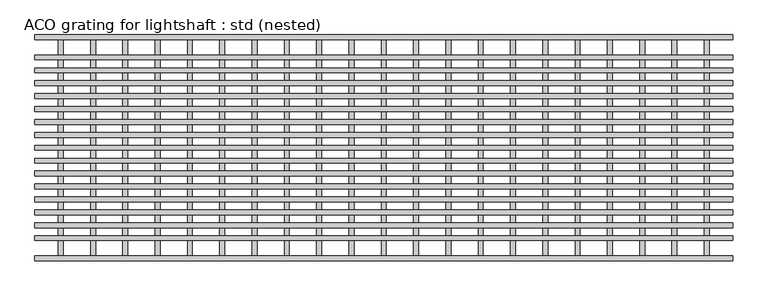
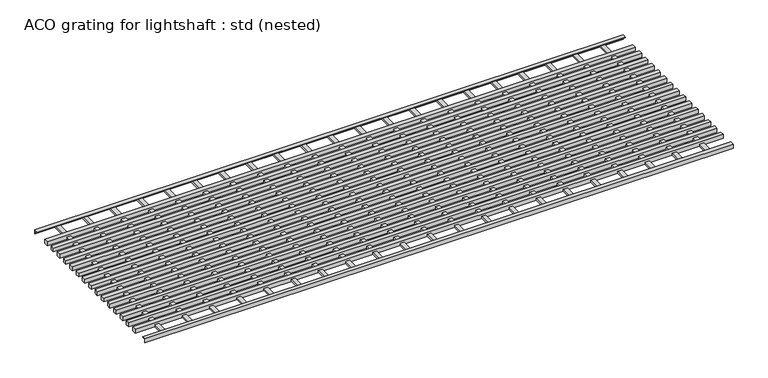
"""IFC4 building model written with IfcOpenShell, lengths in millimetres: sanitary terminal geometry, ACO grating for lightshaft : std (nested)."""

import ifcopenshell
import ifcopenshell.guid

model = None  # the IFC model being written
_history = None  # IfcOwnerHistory: only IFC2X3 demands one
_inside = {}  # id of a spatial element -> (the spatial element, [elements in it])
_under = {}  # id of a project, library or spatial element -> (it, [spatial elements below it])
_declared = {}  # id of a project -> (the project, [libraries it declares])
_typed = {}  # id of a type object -> (the type object, [elements of that type])
_made_of = {}  # id of a material, layer set ... -> (it, [elements and type objects made of it])


def new_model(schema):
    """Start an empty IFC model of exactly this schema.

    Asked for "IFC4X3", IfcOpenShell would pick the latest addendum, in which some entities
    have other attributes; the version numbers below select the first issue.
    IFC2X3 requires an IfcOwnerHistory on every rooted entity: one is made here for all.
    """
    global model, _history
    if schema == "IFC4X3":
        model = ifcopenshell.file(schema_version=(4, 3, 0, 0))
    else:
        model = ifcopenshell.file(schema=schema)
    _inside.clear()
    _under.clear()
    _declared.clear()
    _typed.clear()
    _made_of.clear()
    _history = None
    if model.schema == "IFC2X3":
        org = make("IfcOrganization", Name="unknown")
        user = make(
            "IfcPersonAndOrganization",
            ThePerson=make("IfcPerson", FamilyName="unknown"),
            TheOrganization=org,
        )
        app = make(
            "IfcApplication",
            ApplicationDeveloper=org,
            Version="unknown",
            ApplicationFullName="unknown",
            ApplicationIdentifier="unknown",
        )
        _history = make(
            "IfcOwnerHistory",
            OwningUser=user,
            OwningApplication=app,
            ChangeAction="ADDED",
            CreationDate=0,
        )
    return model


def make(cls, **values):
    """One entity of the class cls with the attributes given. An attribute that is None is left unset."""
    return model.create_entity(
        cls, **{name: value for name, value in values.items() if value is not None}
    )


def rooted(cls, **values):
    """An entity with a GlobalId (a new one), such as an element, a storey or a relation."""
    return make(cls, GlobalId=ifcopenshell.guid.new(), OwnerHistory=_history, **values)


def si_unit(unit_type, name, prefix=None):
    """IfcSIUnit, for example si_unit("LENGTHUNIT", "METRE", prefix="MILLI")."""
    return make("IfcSIUnit", UnitType=unit_type, Prefix=prefix, Name=name)


def assignment(units):
    """IfcUnitAssignment: the units of a project."""
    return None if units is None else make("IfcUnitAssignment", Units=units)


def point(xyz):
    """IfcCartesianPoint."""
    return None if xyz is None else make("IfcCartesianPoint", Coordinates=xyz)


def direction(xyz):
    """IfcDirection."""
    return None if xyz is None else make("IfcDirection", DirectionRatios=xyz)


def frame(location, z_axis=None, x_axis=None):
    """IfcAxis2Placement3D, a coordinate frame: its origin and axes. An axis left out is left unset."""
    return make(
        "IfcAxis2Placement3D",
        Location=point(location),
        Axis=direction(z_axis),
        RefDirection=direction(x_axis),
    )


def origin():
    """The frame at (0, 0, 0) with its axes left unset."""
    return frame((0.0, 0.0, 0.0))


def place(relative_to, where):
    """IfcLocalPlacement: puts the frame where relative to a parent placement (None: the world)."""
    return make(
        "IfcLocalPlacement", PlacementRelTo=relative_to, RelativePlacement=where
    )


def context(
    kind, dimensions, precision=None, world=None, true_north=None, identifier=None
):
    """IfcGeometricRepresentationContext, for example the 3D "Model" context."""
    return make(
        "IfcGeometricRepresentationContext",
        ContextIdentifier=identifier,
        ContextType=kind,
        CoordinateSpaceDimension=dimensions,
        Precision=precision,
        WorldCoordinateSystem=world,
        TrueNorth=true_north,
    )


def project(units=None, contexts=None):
    """IfcProject with its units and contexts."""
    return rooted(
        "IfcProject",
        Name="project",
        RepresentationContexts=contexts,
        UnitsInContext=assignment(units),
    )


def spatial(cls, under=None, at=None, **own):
    """A site, building, storey or space (cls), placed at a placement, below another one or the project."""
    s = rooted(cls, ObjectPlacement=at, **own)
    if under is not None:
        _under.setdefault(under.id(), (under, []))[1].append(s)
    return s


def polyline(points):
    """IfcPolyline through the points."""
    return make("IfcPolyline", Points=[point(p) for p in points])


def outline(outer, holes=None, kind="AREA"):
    """IfcArbitraryClosedProfileDef: a profile drawn as a closed curve; with holes, ...WithVoids."""
    if holes is None:
        return make("IfcArbitraryClosedProfileDef", ProfileType=kind, OuterCurve=outer)
    return make(
        "IfcArbitraryProfileDefWithVoids",
        ProfileType=kind,
        OuterCurve=outer,
        InnerCurves=holes,
    )


def extrude(swept, where, along, depth):
    """IfcExtrudedAreaSolid: the profile swept, set in the frame where, extruded along a direction by depth."""
    return make(
        "IfcExtrudedAreaSolid",
        SweptArea=swept,
        Position=where,
        ExtrudedDirection=direction(along),
        Depth=depth,
    )


def shape(context_of_items, identifier, shape_type, items):
    """IfcShapeRepresentation: the items that make up one representation, for example the "Body"."""
    return make(
        "IfcShapeRepresentation",
        ContextOfItems=context_of_items,
        RepresentationIdentifier=identifier,
        RepresentationType=shape_type,
        Items=items,
    )


def source(mapping_origin, context_of_items, identifier, shape_type, items):
    """IfcRepresentationMap: a shape defined once, which mapped items show again and again."""
    return make(
        "IfcRepresentationMap",
        MappingOrigin=mapping_origin,
        MappedRepresentation=shape(context_of_items, identifier, shape_type, items),
    )


def transform(
    local_origin,
    x_axis=None,
    y_axis=None,
    z_axis=None,
    scale=None,
    scale2=None,
    scale3=None,
    uniform=True,
):
    """IfcCartesianTransformationOperator3D, or its non-uniform kind. x_axis, y_axis, z_axis: its Axis1, 2, 3."""
    if uniform:
        return make(
            "IfcCartesianTransformationOperator3D",
            Axis1=direction(x_axis),
            Axis2=direction(y_axis),
            LocalOrigin=point(local_origin),
            Scale=scale,
            Axis3=direction(z_axis),
        )
    return make(
        "IfcCartesianTransformationOperator3DnonUniform",
        Axis1=direction(x_axis),
        Axis2=direction(y_axis),
        LocalOrigin=point(local_origin),
        Scale=scale,
        Axis3=direction(z_axis),
        Scale2=scale2,
        Scale3=scale3,
    )


def mapped(mapping_source, mapping_target):
    """IfcMappedItem: shows the shape of a source again, moved by a transform."""
    return make(
        "IfcMappedItem", MappingSource=mapping_source, MappingTarget=mapping_target
    )


def made_of(thing, what):
    """Note that an element or type object is made of a material, layer set ...; save() writes the relation."""
    if what is not None:
        _made_of.setdefault(what.id(), (what, []))[1].append(thing)
    return thing


def element(
    cls,
    number,
    at=None,
    inside=None,
    cuts=None,
    type_object=None,
    material=None,
    context=None,
    identifier="Body",
    shape_type=None,
    held_by="IfcProductDefinitionShape",
    body=None,
    shapes=None,
    **own,
):
    """One element of the class cls, such as IfcWall. Its Tag is "e" and its number.

    at: its placement. inside: the storey or other place that contains it. cuts: it is an
    opening in that element (IfcRelVoidsElement). A single representation is given by context,
    identifier, shape_type and body (its items); several are given by shapes. held_by: the class
    of the entity that holds the representations. save() writes the other relations.
    """
    e = rooted(cls, Tag="e%d" % number, ObjectPlacement=at, **own)
    if body is not None:
        shapes = [shape(context, identifier, shape_type, body)]
    if shapes is not None:
        e.Representation = make(held_by, Representations=shapes)
    if inside is not None:
        _inside.setdefault(inside.id(), (inside, []))[1].append(e)
    if cuts is not None:
        rooted(
            "IfcRelVoidsElement", RelatingBuildingElement=cuts, RelatedOpeningElement=e
        )
    if type_object is not None:
        _typed.setdefault(type_object.id(), (type_object, []))[1].append(e)
    return made_of(e, material)


def aggregate(whole, parts):
    """IfcRelAggregates: a whole, such as a stair, and the parts it consists of."""
    return rooted("IfcRelAggregates", RelatingObject=whole, RelatedObjects=parts)


def save(model, path):
    """Write the relations noted so far, then the file.

    IfcRelAggregates (storeys below a building ...), IfcRelContainedInSpatialStructure (elements
    in a storey), IfcRelDefinesByType, IfcRelAssociatesMaterial and IfcRelDeclares: one each for
    every whole, place, type object, material and project.
    """
    for whole, parts in _under.values():
        aggregate(whole, parts)
    for where, things in _inside.values():
        rooted(
            "IfcRelContainedInSpatialStructure",
            RelatedElements=things,
            RelatingStructure=where,
        )
    for kind, things in _typed.values():
        rooted("IfcRelDefinesByType", RelatedObjects=things, RelatingType=kind)
    for what, things in _made_of.values():
        rooted("IfcRelAssociatesMaterial", RelatedObjects=things, RelatingMaterial=what)
    for by, libraries in _declared.values():
        rooted("IfcRelDeclares", RelatingContext=by, RelatedDefinitions=libraries)
    model.write(path)


def aco_grating_for_lightshaft_std_nested_7c9caae1(model_context):
    return source(origin(), model_context, "Body", "SweptSolid", [
        extrude(outline(polyline([(-1007.5, -2.0), (-992.5, -2.0), (-992.5, -698.0), (-1007.5, -698.0), (-1007.5, -2.0)])), frame((0.0, 0.0, -15.0), z_axis=(0.0, 0.0, 1.0), x_axis=(1.0, 0.0, 0.0)), (0.0, 0.0, 1.0), 7.5),
        extrude(outline(polyline([(-907.5, -2.0), (-892.5, -2.0), (-892.5, -698.0), (-907.5, -698.0), (-907.5, -2.0)])), frame((0.0, 0.0, -15.0), z_axis=(0.0, 0.0, 1.0), x_axis=(1.0, 0.0, 0.0)), (0.0, 0.0, 1.0), 7.5),
        extrude(outline(polyline([(-807.5, -2.0), (-792.5, -2.0), (-792.5, -698.0), (-807.5, -698.0), (-807.5, -2.0)])), frame((0.0, 0.0, -15.0), z_axis=(0.0, 0.0, 1.0), x_axis=(1.0, 0.0, 0.0)), (0.0, 0.0, 1.0), 7.5),
        extrude(outline(polyline([(1007.5, -2.0), (1007.5, -698.0), (992.5, -698.0), (992.5, -2.0), (1007.5, -2.0)])), frame((0.0, 0.0, -15.0), z_axis=(0.0, 0.0, 1.0), x_axis=(1.0, 0.0, 0.0)), (0.0, 0.0, 1.0), 7.5),
        extrude(outline(polyline([(907.5, -2.0), (907.5, -698.0), (892.5, -698.0), (892.5, -2.0), (907.5, -2.0)])), frame((0.0, 0.0, -15.0), z_axis=(0.0, 0.0, 1.0), x_axis=(1.0, 0.0, 0.0)), (0.0, 0.0, 1.0), 7.5),
        extrude(outline(polyline([(807.5, -2.0), (807.5, -698.0), (792.5, -698.0), (792.5, -2.0), (807.5, -2.0)])), frame((0.0, 0.0, -15.0), z_axis=(0.0, 0.0, 1.0), x_axis=(1.0, 0.0, 0.0)), (0.0, 0.0, 1.0), 7.5),
        extrude(outline(polyline([(-707.5, -2.0), (-692.5, -2.0), (-692.5, -698.0), (-707.5, -698.0), (-707.5, -2.0)])), frame((0.0, 0.0, -15.0), z_axis=(0.0, 0.0, 1.0), x_axis=(1.0, 0.0, 0.0)), (0.0, 0.0, 1.0), 7.5),
        extrude(outline(polyline([(-607.5, -2.0), (-592.5, -2.0), (-592.5, -698.0), (-607.5, -698.0), (-607.5, -2.0)])), frame((0.0, 0.0, -15.0), z_axis=(0.0, 0.0, 1.0), x_axis=(1.0, 0.0, 0.0)), (0.0, 0.0, 1.0), 7.5),
        extrude(outline(polyline([(-507.5, -2.0), (-492.5, -2.0), (-492.5, -698.0), (-507.5, -698.0), (-507.5, -2.0)])), frame((0.0, 0.0, -15.0), z_axis=(0.0, 0.0, 1.0), x_axis=(1.0, 0.0, 0.0)), (0.0, 0.0, 1.0), 7.5),
        extrude(outline(polyline([(-407.5, -2.0), (-392.5, -2.0), (-392.5, -698.0), (-407.5, -698.0), (-407.5, -2.0)])), frame((0.0, 0.0, -15.0), z_axis=(0.0, 0.0, 1.0), x_axis=(1.0, 0.0, 0.0)), (0.0, 0.0, 1.0), 7.5),
        extrude(outline(polyline([(-307.5, -2.0), (-292.5, -2.0), (-292.5, -698.0), (-307.5, -698.0), (-307.5, -2.0)])), frame((0.0, 0.0, -15.0), z_axis=(0.0, 0.0, 1.0), x_axis=(1.0, 0.0, 0.0)), (0.0, 0.0, 1.0), 7.5),
        extrude(outline(polyline([(-207.5, -2.0), (-192.5, -2.0), (-192.5, -698.0), (-207.5, -698.0), (-207.5, -2.0)])), frame((0.0, 0.0, -15.0), z_axis=(0.0, 0.0, 1.0), x_axis=(1.0, 0.0, 0.0)), (0.0, 0.0, 1.0), 7.5),
        extrude(outline(polyline([(-107.5, -2.0), (-92.5, -2.0), (-92.5, -698.0), (-107.5, -698.0), (-107.5, -2.0)])), frame((0.0, 0.0, -15.0), z_axis=(0.0, 0.0, 1.0), x_axis=(1.0, 0.0, 0.0)), (0.0, 0.0, 1.0), 7.5),
        extrude(outline(polyline([(707.5, -2.0), (707.5, -698.0), (692.5, -698.0), (692.5, -2.0), (707.5, -2.0)])), frame((0.0, 0.0, -15.0), z_axis=(0.0, 0.0, 1.0), x_axis=(1.0, 0.0, 0.0)), (0.0, 0.0, 1.0), 7.5),
        extrude(outline(polyline([(607.5, -2.0), (607.5, -698.0), (592.5, -698.0), (592.5, -2.0), (607.5, -2.0)])), frame((0.0, 0.0, -15.0), z_axis=(0.0, 0.0, 1.0), x_axis=(1.0, 0.0, 0.0)), (0.0, 0.0, 1.0), 7.5),
        extrude(outline(polyline([(507.5, -2.0), (507.5, -698.0), (492.5, -698.0), (492.5, -2.0), (507.5, -2.0)])), frame((0.0, 0.0, -15.0), z_axis=(0.0, 0.0, 1.0), x_axis=(1.0, 0.0, 0.0)), (0.0, 0.0, 1.0), 7.5),
        extrude(outline(polyline([(407.5, -2.0), (407.5, -698.0), (392.5, -698.0), (392.5, -2.0), (407.5, -2.0)])), frame((0.0, 0.0, -15.0), z_axis=(0.0, 0.0, 1.0), x_axis=(1.0, 0.0, 0.0)), (0.0, 0.0, 1.0), 7.5),
        extrude(outline(polyline([(307.5, -2.0), (307.5, -698.0), (292.5, -698.0), (292.5, -2.0), (307.5, -2.0)])), frame((0.0, 0.0, -15.0), z_axis=(0.0, 0.0, 1.0), x_axis=(1.0, 0.0, 0.0)), (0.0, 0.0, 1.0), 7.5),
        extrude(outline(polyline([(207.5, -2.0), (207.5, -698.0), (192.5, -698.0), (192.5, -2.0), (207.5, -2.0)])), frame((0.0, 0.0, -15.0), z_axis=(0.0, 0.0, 1.0), x_axis=(1.0, 0.0, 0.0)), (0.0, 0.0, 1.0), 7.5),
        extrude(outline(polyline([(107.5, -2.0), (107.5, -698.0), (92.5, -698.0), (92.5, -2.0), (107.5, -2.0)])), frame((0.0, 0.0, -15.0), z_axis=(0.0, 0.0, 1.0), x_axis=(1.0, 0.0, 0.0)), (0.0, 0.0, 1.0), 7.5),
        extrude(outline(polyline([(7.5, -2.0), (7.5, -698.0), (-7.5, -698.0), (-7.5, -2.0), (7.5, -2.0)])), frame((0.0, 0.0, -15.0), z_axis=(0.0, 0.0, 1.0), x_axis=(1.0, 0.0, 0.0)), (0.0, 0.0, 1.0), 7.5),
        extrude(outline(polyline([(1080.0, -62.5), (1080.0, -77.5), (-1080.0, -77.5), (-1080.0, -62.5), (1080.0, -62.5)])), frame((0.0, 0.0, -15.0), z_axis=(0.0, 0.0, 1.0), x_axis=(1.0, 0.0, 0.0)), (0.0, 0.0, 1.0), 15.0),
        extrude(outline(polyline([(1080.0, -102.5), (1080.0, -117.5), (-1080.0, -117.5), (-1080.0, -102.5), (1080.0, -102.5)])), frame((0.0, 0.0, -15.0), z_axis=(0.0, 0.0, 1.0), x_axis=(1.0, 0.0, 0.0)), (0.0, 0.0, 1.0), 15.0),
        extrude(outline(polyline([(1080.0, -637.5), (-1080.0, -637.5), (-1080.0, -622.5), (1080.0, -622.5), (1080.0, -637.5)])), frame((0.0, 0.0, -15.0), z_axis=(0.0, 0.0, 1.0), x_axis=(1.0, 0.0, 0.0)), (0.0, 0.0, 1.0), 15.0),
        extrude(outline(polyline([(1080.0, -597.5), (-1080.0, -597.5), (-1080.0, -582.5), (1080.0, -582.5), (1080.0, -597.5)])), frame((0.0, 0.0, -15.0), z_axis=(0.0, 0.0, 1.0), x_axis=(1.0, 0.0, 0.0)), (0.0, 0.0, 1.0), 15.0),
        extrude(outline(polyline([(1080.0, -557.5), (-1080.0, -557.5), (-1080.0, -542.5), (1080.0, -542.5), (1080.0, -557.5)])), frame((0.0, 0.0, -15.0), z_axis=(0.0, 0.0, 1.0), x_axis=(1.0, 0.0, 0.0)), (0.0, 0.0, 1.0), 15.0),
        extrude(outline(polyline([(1080.0, -517.5), (-1080.0, -517.5), (-1080.0, -502.5), (1080.0, -502.5), (1080.0, -517.5)])), frame((0.0, 0.0, -15.0), z_axis=(0.0, 0.0, 1.0), x_axis=(1.0, 0.0, 0.0)), (0.0, 0.0, 1.0), 15.0),
        extrude(outline(polyline([(1080.0, -477.5), (-1080.0, -477.5), (-1080.0, -462.5), (1080.0, -462.5), (1080.0, -477.5)])), frame((0.0, 0.0, -15.0), z_axis=(0.0, 0.0, 1.0), x_axis=(1.0, 0.0, 0.0)), (0.0, 0.0, 1.0), 15.0),
        extrude(outline(polyline([(1080.0, -437.5), (-1080.0, -437.5), (-1080.0, -422.5), (1080.0, -422.5), (1080.0, -437.5)])), frame((0.0, 0.0, -15.0), z_axis=(0.0, 0.0, 1.0), x_axis=(1.0, 0.0, 0.0)), (0.0, 0.0, 1.0), 15.0),
        extrude(outline(polyline([(1080.0, -397.5), (-1080.0, -397.5), (-1080.0, -382.5), (1080.0, -382.5), (1080.0, -397.5)])), frame((0.0, 0.0, -15.0), z_axis=(0.0, 0.0, 1.0), x_axis=(1.0, 0.0, 0.0)), (0.0, 0.0, 1.0), 15.0),
        extrude(outline(polyline([(1080.0, -142.5), (1080.0, -157.5), (-1080.0, -157.5), (-1080.0, -142.5), (1080.0, -142.5)])), frame((0.0, 0.0, -15.0), z_axis=(0.0, 0.0, 1.0), x_axis=(1.0, 0.0, 0.0)), (0.0, 0.0, 1.0), 15.0),
        extrude(outline(polyline([(1080.0, -182.5), (1080.0, -197.5), (-1080.0, -197.5), (-1080.0, -182.5), (1080.0, -182.5)])), frame((0.0, 0.0, -15.0), z_axis=(0.0, 0.0, 1.0), x_axis=(1.0, 0.0, 0.0)), (0.0, 0.0, 1.0), 15.0),
        extrude(outline(polyline([(1080.0, -222.5), (1080.0, -237.5), (-1080.0, -237.5), (-1080.0, -222.5), (1080.0, -222.5)])), frame((0.0, 0.0, -15.0), z_axis=(0.0, 0.0, 1.0), x_axis=(1.0, 0.0, 0.0)), (0.0, 0.0, 1.0), 15.0),
        extrude(outline(polyline([(1080.0, -262.5), (1080.0, -277.5), (-1080.0, -277.5), (-1080.0, -262.5), (1080.0, -262.5)])), frame((0.0, 0.0, -15.0), z_axis=(0.0, 0.0, 1.0), x_axis=(1.0, 0.0, 0.0)), (0.0, 0.0, 1.0), 15.0),
        extrude(outline(polyline([(1080.0, -302.5), (1080.0, -317.5), (-1080.0, -317.5), (-1080.0, -302.5), (1080.0, -302.5)])), frame((0.0, 0.0, -15.0), z_axis=(0.0, 0.0, 1.0), x_axis=(1.0, 0.0, 0.0)), (0.0, 0.0, 1.0), 15.0),
        extrude(outline(polyline([(1080.0, -342.5), (1080.0, -357.5), (-1080.0, -357.5), (-1080.0, -342.5), (1080.0, -342.5)])), frame((0.0, 0.0, -15.0), z_axis=(0.0, 0.0, 1.0), x_axis=(1.0, 0.0, 0.0)), (0.0, 0.0, 1.0), 15.0),
        extrude(outline(polyline([(-685.0, 0.0), (-685.0, -2.0), (-698.0, -2.0), (-698.0, -15.0), (-700.0, -15.0), (-700.0, 0.0), (-685.0, 0.0)])), frame((-1080.0, 0.0, 0.0), z_axis=(1.0, 0.0, 0.0), x_axis=(0.0, 1.0, 0.0)), (0.0, 0.0, 1.0), 2160.0),
        extrude(outline(polyline([(0.0, -15.0), (-2.0, -15.0), (-2.0, -2.0), (-15.0, -2.0), (-15.0, 0.0), (0.0, 0.0), (0.0, -15.0)])), frame((-1080.0, 0.0, 0.0), z_axis=(1.0, 0.0, 0.0), x_axis=(0.0, 1.0, 0.0)), (0.0, 0.0, 1.0), 2160.0),
    ])


if __name__ == "__main__":
    model = new_model("IFC4")
    model_context = context("Model", 3, world=origin())
    ifc_project = project(units=[si_unit("LENGTHUNIT", "METRE", prefix="MILLI")], contexts=[model_context])
    site = spatial("IfcSite", under=ifc_project)
    building = spatial("IfcBuilding", under=site)
    placement = place(None, origin())
    aco_grating_for_lightshaft_std_nested_shape = aco_grating_for_lightshaft_std_nested_7c9caae1(model_context)
    element("IfcSanitaryTerminal", 1, ObjectType="ACO grating for lightshaft : std (nested)", at=placement, inside=building, context=model_context, shape_type="MappedRepresentation", body=[
        mapped(aco_grating_for_lightshaft_std_nested_shape, transform((0.0, 0.0, 0.0), x_axis=(1.0, 0.0, 0.0), y_axis=(0.0, 1.0, 0.0), z_axis=(0.0, 0.0, 1.0))),
    ])
    save(model, "model.ifc")
